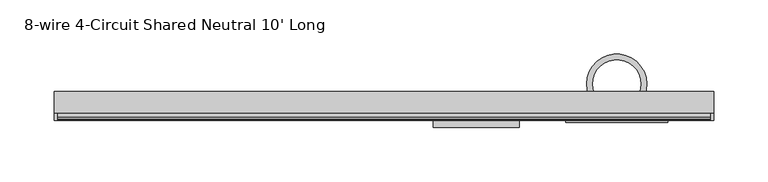
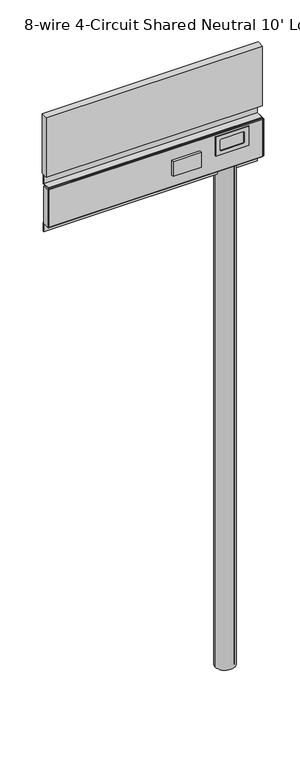
"""IFC4 building model written with IfcOpenShell, lengths in millimetres: furniture geometry, 8-wire 4-Circuit Shared Neutral 10' Long."""

from ifc_helpers import new_model, si_unit, point, frame, origin, origin_with_axes, origin_2d, place, context, project, spatial, polyline, circle_curve, trimmed, segment, composite_curve, outline, extrude, source, transform, mapped, element, save


def furniture_8_wire_4_circuit_shared_neutral_10_long_5454d7f8(model_context):
    return source(origin(), model_context, "Body", "SweptSolid", [
        extrude(outline(polyline([(1607.8259653, 47.1170005), (1607.8259653, -47.1170005), (1551.1839671, -47.1170005), (1551.1839671, 47.1170005), (1607.8259653, 47.1170005)]), holes=[polyline([(1596.2689672, 31.2420065), (1595.5994133, 32.8584595), (1593.9829671, 33.5280044), (1565.0269664, 33.5280044), (1563.4105203, 32.8584595), (1562.7409663, 31.2420065), (1562.7409663, -31.2419884), (1563.4105203, -32.8584413), (1565.0269664, -33.5279862), (1593.9829671, -33.5279862), (1595.5994133, -32.8584413), (1596.2689672, -31.2419884), (1596.2689672, 31.2420065)])]), frame((0.0, -35.6310779, 0.0), z_axis=(0.0, 1.0, 0.0), x_axis=(0.0, 0.0, 1.0)), (0.0, 0.0, 1.0), 1.624416),
        extrude(outline(polyline([(-90.1559337, -34.0066619), (-90.1559337, -40.3566649), (-169.6790444, -40.3566649), (-169.6790444, -34.0066619), (-90.1559337, -34.0066619)])), frame((0.0, 0.0, 1536.7749674), z_axis=(0.0, 0.0, 1.0), x_axis=(1.0, 0.0, 0.0)), (0.0, 0.0, 1.0), 44.4499991),
        extrude(outline(polyline([(-516.4865984, -34.0066619), (-519.7999944, -34.0066619), (-519.7999944, -14.4348437), (-516.4865984, -14.4348437), (-516.4865984, -34.0066619)])), frame((0.0, 0.0, 1503.4999659), z_axis=(0.0, 0.0, 1.0), x_axis=(1.0, 0.0, 0.0)), (0.0, 0.0, 1.0), 111.0000016),
        extrude(outline(polyline([(89.8000056, -34.0066619), (86.4866097, -34.0066619), (86.4866097, -14.4348437), (89.8000056, -14.4348437), (89.8000056, -34.0066619)])), frame((0.0, 0.0, 1503.4999659), z_axis=(0.0, 0.0, 1.0), x_axis=(1.0, 0.0, 0.0)), (0.0, 0.0, 1.0), 111.0000016),
        extrude(outline(polyline([(-8.706663, 1617.8999643), (-8.706663, 1643.1999644), (-7.0066634, 1643.1999644), (-7.0066634, 1616.1999681), (-30.5066621, 1616.1999681), (-31.7446497, 1615.7061484), (-32.3038816, 1614.4999674), (-32.3038816, 1503.4999659), (-31.7446497, 1502.293785), (-30.5066621, 1501.7999652), (-7.0066634, 1501.7999652), (-7.0066634, 1474.799969), (-8.706663, 1474.799969), (-8.706663, 1500.0999645), (-30.5066621, 1500.0999645), (-32.228541, 1500.5528165), (-33.5048121, 1501.7941152), (-34.0066619, 1503.5048273), (-34.0066619, 1614.495106), (-33.5048121, 1616.2058181), (-32.228541, 1617.4471168), (-30.5066621, 1617.8999643), (-8.706663, 1617.8999643)])), frame((-516.4000021, 0.0, 0.0), z_axis=(1.0, 0.0, 0.0), x_axis=(0.0, 1.0, 0.0)), (0.0, 0.0, 1.0), 602.8866117),
        extrude(outline(polyline([(89.8000056, -26.998664), (-519.7999944, -26.998664), (-519.7999944, -6.9986629), (89.8000056, -6.9986629), (89.8000056, -26.998664)])), frame((0.0, 0.0, 1648.8499647), z_axis=(0.0, 0.0, 1.0), x_axis=(1.0, 0.0, 0.0)), (0.0, 0.0, 1.0), 177.800003),
        extrude(outline(composite_curve([segment(trimmed(circle_curve(origin_2d(), 27.7018726), [point((-27.7018726, 0.0))], [point((27.7018726, 0.0))], False, "CARTESIAN"), True, "CONTINUOUS"), segment(trimmed(circle_curve(origin_2d(), 27.7018726), [point((27.7018726, 0.0))], [point((-27.7018726, 0.0))], False, "CARTESIAN"), True, "CONTINUOUS")], self_intersect=False), holes=[composite_curve([segment(trimmed(circle_curve(origin_2d(), 22.343337), [point((-22.343337, 0.0))], [point((22.343337, 0.0))], True, "CARTESIAN"), True, "CONTINUOUS"), segment(trimmed(circle_curve(origin_2d(), 22.343337), [point((22.343337, 0.0))], [point((-22.343337, 0.0))], True, "CARTESIAN"), True, "CONTINUOUS")], self_intersect=False)]), origin_with_axes(), (0.0, 0.0, 1.0), 1524.5068211),
    ])


if __name__ == "__main__":
    model = new_model("IFC4")
    model_context = context("Model", 3, world=origin())
    ifc_project = project(units=[si_unit("LENGTHUNIT", "METRE", prefix="MILLI")], contexts=[model_context])
    site = spatial("IfcSite", under=ifc_project)
    building = spatial("IfcBuilding", under=site)
    placement = place(None, origin())
    furniture_8_wire_4_circuit_shared_neutral_10_long_shape = furniture_8_wire_4_circuit_shared_neutral_10_long_5454d7f8(model_context)
    element("IfcFurniture", 1, ObjectType="8-wire 4-Circuit Shared Neutral 10' Long", at=placement, inside=building, context=model_context, shape_type="MappedRepresentation", body=[
        mapped(furniture_8_wire_4_circuit_shared_neutral_10_long_shape, transform((0.0, 0.0, 0.0), x_axis=(1.0, 0.0, 0.0), y_axis=(0.0, 1.0, 0.0), z_axis=(0.0, 0.0, 1.0))),
    ])
    save(model, "model.ifc")
